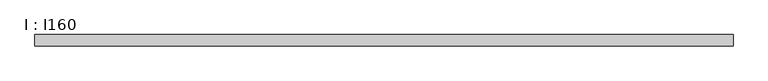
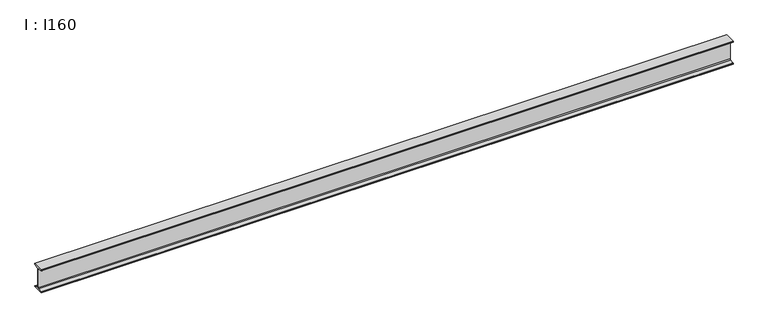
"""IFC4 building model written with IfcOpenShell, lengths in millimetres: beam geometry, I : I160."""

from ifc_helpers import new_model, si_unit, point, frame, frame_2d, origin, place, context, project, spatial, polyline, circle_curve, trimmed, segment, composite_curve, outline, extrude, source, transform, mapped, element, save


def i_i160_c2d888a8(model_context):
    return source(origin(), model_context, "Body", "SweptSolid", [
        extrude(outline(composite_curve([segment(polyline([(37.0, 80.0), (37.0, 76.3951649)]), True, "CONTINUOUS"), segment(trimmed(circle_curve(frame_2d((33.2, 76.3951649)), 3.8), [point((37.0, 76.3951649))], [point((33.7268874, 72.6318698))], False, "CARTESIAN"), True, "CONTINUOUS"), segment(polyline([(33.7268874, 72.6318698), (8.5764762, 69.1106379)]), True, "CONTINUOUS"), segment(trimmed(circle_curve(frame_2d((9.45, 62.8714908)), 6.3), [point((8.5764762, 69.1106379))], [point((3.15, 62.8714908))], True, "CARTESIAN"), True, "CONTINUOUS"), segment(polyline([(3.15, 62.8714908), (3.15, -62.8714908)]), True, "CONTINUOUS"), segment(trimmed(circle_curve(frame_2d((9.45, -62.8714908)), 6.3), [point((3.15, -62.8714908))], [point((8.5764762, -69.1106379))], True, "CARTESIAN"), True, "CONTINUOUS"), segment(polyline([(8.5764762, -69.1106379), (33.7268874, -72.6318698)]), True, "CONTINUOUS"), segment(trimmed(circle_curve(frame_2d((33.2, -76.3951649)), 3.8), [point((33.7268874, -72.6318698))], [point((37.0, -76.3951649))], False, "CARTESIAN"), True, "CONTINUOUS"), segment(polyline([(37.0, -76.3951649), (37.0, -80.0), (-37.0, -80.0), (-37.0, -76.3951649)]), True, "CONTINUOUS"), segment(trimmed(circle_curve(frame_2d((-33.2, -76.3951649)), 3.8), [point((-37.0, -76.3951649))], [point((-33.7268874, -72.6318698))], False, "CARTESIAN"), True, "CONTINUOUS"), segment(polyline([(-33.7268874, -72.6318698), (-8.5764762, -69.1106379)]), True, "CONTINUOUS"), segment(trimmed(circle_curve(frame_2d((-9.45, -62.8714908)), 6.3), [point((-8.5764762, -69.1106379))], [point((-3.15, -62.8714908))], True, "CARTESIAN"), True, "CONTINUOUS"), segment(polyline([(-3.15, -62.8714908), (-3.15, 62.8714908)]), True, "CONTINUOUS"), segment(trimmed(circle_curve(frame_2d((-9.45, 62.8714908)), 6.3), [point((-3.15, 62.8714908))], [point((-8.5764762, 69.1106379))], True, "CARTESIAN"), True, "CONTINUOUS"), segment(polyline([(-8.5764762, 69.1106379), (-33.7268874, 72.6318698)]), True, "CONTINUOUS"), segment(trimmed(circle_curve(frame_2d((-33.2, 76.3951649)), 3.8), [point((-33.7268874, 72.6318698))], [point((-37.0, 76.3951649))], False, "CARTESIAN"), True, "CONTINUOUS"), segment(polyline([(-37.0, 76.3951649), (-37.0, 80.0), (37.0, 80.0)]), True, "CONTINUOUS")], self_intersect=False)), frame((-2875.0, 0.0, 0.0), z_axis=(1.0, 0.0, 0.0), x_axis=(0.0, 1.0, 0.0)), (0.0, 0.0, 1.0), 4550.0),
    ])


if __name__ == "__main__":
    model = new_model("IFC4")
    model_context = context("Model", 3, world=origin())
    ifc_project = project(units=[si_unit("LENGTHUNIT", "METRE", prefix="MILLI")], contexts=[model_context])
    site = spatial("IfcSite", under=ifc_project)
    building = spatial("IfcBuilding", under=site)
    placement = place(None, origin())
    i_i160_shape = i_i160_c2d888a8(model_context)
    element("IfcBeam", 1, ObjectType="I : I160", at=placement, inside=building, context=model_context, shape_type="MappedRepresentation", body=[
        mapped(i_i160_shape, transform((0.0, 0.0, 0.0), x_axis=(1.0, 0.0, 0.0), y_axis=(0.0, 1.0, 0.0), z_axis=(0.0, 0.0, 1.0))),
    ])
    save(model, "model.ifc")
